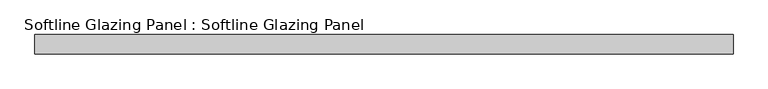
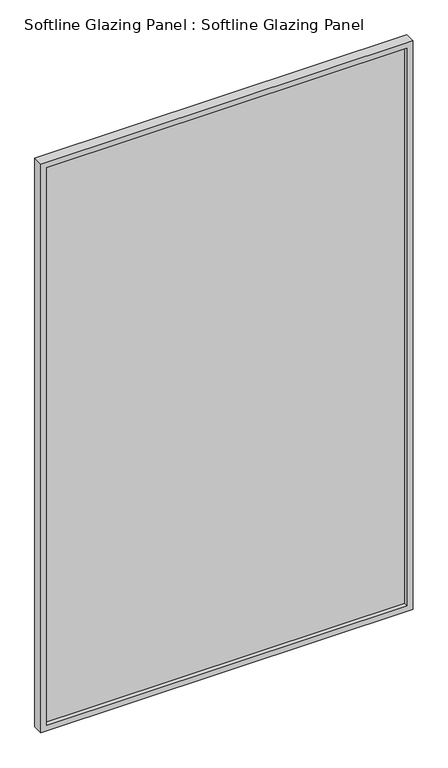
"""IFC4 building model written with IfcOpenShell, lengths in millimetres: plate geometry, Softline Glazing Panel : Softline Glazing Panel."""

from ifc_helpers import new_model, si_unit, frame, origin, place, context, project, spatial, polyline, outline, extrude, faceted_brep, source, transform, mapped, element, save


def softline_glazing_panel_softline_glazing_panel_fdc2f5b7(model_context):
    return source(origin(), model_context, "Body", "SolidModel", [
        extrude(outline(polyline([(803.5, 4.0), (803.5, -4.0), (-803.5, -4.0), (-803.5, 4.0), (803.5, 4.0)])), frame((0.0, 0.0, 16.0), z_axis=(0.0, 0.0, 1.0), x_axis=(1.0, 0.0, 0.0)), (0.0, 0.0, 1.0), 2614.0),
        faceted_brep([(793.5, 4.0, 26.0), (793.5, 22.5, 26.0), (-793.5, 22.5, 26.0), (-793.5, 4.0, 26.0), (803.5, -4.0, 16.0), (803.5, 4.0, 16.0), (-803.5, 4.0, 16.0), (-803.5, -4.0, 16.0), (793.5, -22.5, 26.0), (793.5, -4.0, 26.0), (-793.5, -4.0, 26.0), (-793.5, -22.5, 26.0), (819.5, 22.5, 0.0), (819.5, -22.5, 0.0), (-819.5, -22.5, 0.0), (-819.5, 22.5, 0.0), (-793.5, 22.5, 2620.0), (-793.5, 4.0, 2620.0), (-803.5, 4.0, 2630.0), (-803.5, -4.0, 2630.0), (-793.5, -4.0, 2620.0), (-793.5, -22.5, 2620.0), (-819.5, -22.5, 2646.0), (-819.5, 22.5, 2646.0), (793.5, 22.5, 2620.0), (793.5, 4.0, 2620.0), (803.5, 4.0, 2630.0), (803.5, -4.0, 2630.0), (793.5, -4.0, 2620.0), (793.5, -22.5, 2620.0), (819.5, -22.5, 2646.0), (819.5, 22.5, 2646.0)], [[[0, 1, 2, 3]], [[4, 5, 6, 7]], [[8, 9, 10, 11]], [[12, 13, 14, 15]], [[3, 2, 16, 17]], [[7, 6, 18, 19]], [[11, 10, 20, 21]], [[15, 14, 22, 23]], [[17, 16, 24, 25]], [[19, 18, 26, 27]], [[21, 20, 28, 29]], [[23, 22, 30, 31]], [[15, 23, 31, 12], [1, 24, 16, 2]], [[25, 24, 1, 0]], [[5, 26, 18, 6], [3, 17, 25, 0]], [[27, 26, 5, 4]], [[7, 19, 27, 4], [9, 28, 20, 10]], [[29, 28, 9, 8]], [[13, 30, 22, 14], [11, 21, 29, 8]], [[31, 30, 13, 12]]]),
    ])


if __name__ == "__main__":
    model = new_model("IFC4")
    model_context = context("Model", 3, world=origin())
    ifc_project = project(units=[si_unit("LENGTHUNIT", "METRE", prefix="MILLI")], contexts=[model_context])
    site = spatial("IfcSite", under=ifc_project)
    building = spatial("IfcBuilding", under=site)
    placement = place(None, origin())
    softline_glazing_panel_softline_glazing_panel_shape = softline_glazing_panel_softline_glazing_panel_fdc2f5b7(model_context)
    element("IfcPlate", 1, ObjectType="Softline Glazing Panel : Softline Glazing Panel", at=placement, inside=building, context=model_context, shape_type="MappedRepresentation", body=[
        mapped(softline_glazing_panel_softline_glazing_panel_shape, transform((0.0, 0.0, 0.0), x_axis=(1.0, 0.0, 0.0), y_axis=(0.0, 1.0, 0.0), z_axis=(0.0, 0.0, 1.0))),
    ])
    save(model, "model.ifc")
